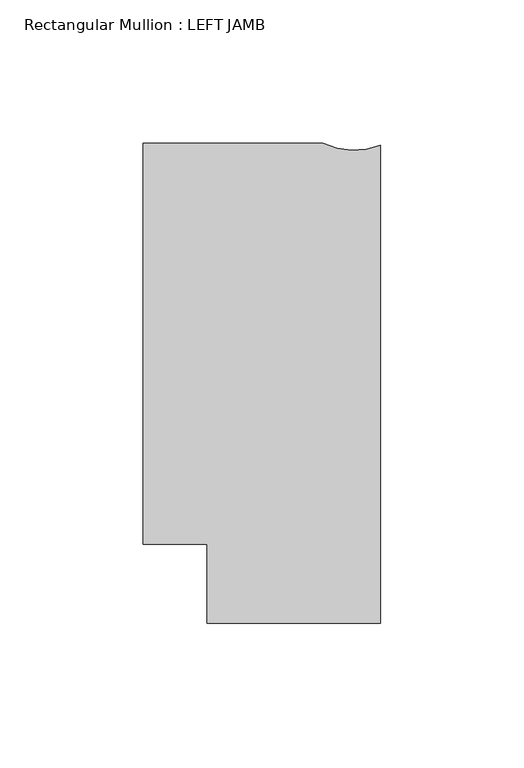
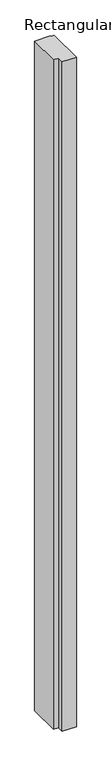
"""IFC4 building model written with IfcOpenShell, lengths in millimetres: member geometry, Rectangular Mullion : LEFT JAMB."""

import ifcopenshell
import ifcopenshell.guid

model = None  # the IFC model being written
_history = None  # IfcOwnerHistory: only IFC2X3 demands one
_inside = {}  # id of a spatial element -> (the spatial element, [elements in it])
_under = {}  # id of a project, library or spatial element -> (it, [spatial elements below it])
_declared = {}  # id of a project -> (the project, [libraries it declares])
_typed = {}  # id of a type object -> (the type object, [elements of that type])
_made_of = {}  # id of a material, layer set ... -> (it, [elements and type objects made of it])


def new_model(schema):
    """Start an empty IFC model of exactly this schema.

    Asked for "IFC4X3", IfcOpenShell would pick the latest addendum, in which some entities
    have other attributes; the version numbers below select the first issue.
    IFC2X3 requires an IfcOwnerHistory on every rooted entity: one is made here for all.
    """
    global model, _history
    if schema == "IFC4X3":
        model = ifcopenshell.file(schema_version=(4, 3, 0, 0))
    else:
        model = ifcopenshell.file(schema=schema)
    _inside.clear()
    _under.clear()
    _declared.clear()
    _typed.clear()
    _made_of.clear()
    _history = None
    if model.schema == "IFC2X3":
        org = make("IfcOrganization", Name="unknown")
        user = make(
            "IfcPersonAndOrganization",
            ThePerson=make("IfcPerson", FamilyName="unknown"),
            TheOrganization=org,
        )
        app = make(
            "IfcApplication",
            ApplicationDeveloper=org,
            Version="unknown",
            ApplicationFullName="unknown",
            ApplicationIdentifier="unknown",
        )
        _history = make(
            "IfcOwnerHistory",
            OwningUser=user,
            OwningApplication=app,
            ChangeAction="ADDED",
            CreationDate=0,
        )
    return model


def make(cls, **values):
    """One entity of the class cls with the attributes given. An attribute that is None is left unset."""
    return model.create_entity(
        cls, **{name: value for name, value in values.items() if value is not None}
    )


def rooted(cls, **values):
    """An entity with a GlobalId (a new one), such as an element, a storey or a relation."""
    return make(cls, GlobalId=ifcopenshell.guid.new(), OwnerHistory=_history, **values)


def si_unit(unit_type, name, prefix=None):
    """IfcSIUnit, for example si_unit("LENGTHUNIT", "METRE", prefix="MILLI")."""
    return make("IfcSIUnit", UnitType=unit_type, Prefix=prefix, Name=name)


def assignment(units):
    """IfcUnitAssignment: the units of a project."""
    return None if units is None else make("IfcUnitAssignment", Units=units)


def point(xyz):
    """IfcCartesianPoint."""
    return None if xyz is None else make("IfcCartesianPoint", Coordinates=xyz)


def direction(xyz):
    """IfcDirection."""
    return None if xyz is None else make("IfcDirection", DirectionRatios=xyz)


def frame(location, z_axis=None, x_axis=None):
    """IfcAxis2Placement3D, a coordinate frame: its origin and axes. An axis left out is left unset."""
    return make(
        "IfcAxis2Placement3D",
        Location=point(location),
        Axis=direction(z_axis),
        RefDirection=direction(x_axis),
    )


def frame_2d(location, x_axis=None):
    """IfcAxis2Placement2D, a coordinate frame in the plane: its origin and x axis."""
    return make(
        "IfcAxis2Placement2D", Location=point(location), RefDirection=direction(x_axis)
    )


def origin():
    """The frame at (0, 0, 0) with its axes left unset."""
    return frame((0.0, 0.0, 0.0))


def place(relative_to, where):
    """IfcLocalPlacement: puts the frame where relative to a parent placement (None: the world)."""
    return make(
        "IfcLocalPlacement", PlacementRelTo=relative_to, RelativePlacement=where
    )


def context(
    kind, dimensions, precision=None, world=None, true_north=None, identifier=None
):
    """IfcGeometricRepresentationContext, for example the 3D "Model" context."""
    return make(
        "IfcGeometricRepresentationContext",
        ContextIdentifier=identifier,
        ContextType=kind,
        CoordinateSpaceDimension=dimensions,
        Precision=precision,
        WorldCoordinateSystem=world,
        TrueNorth=true_north,
    )


def project(units=None, contexts=None):
    """IfcProject with its units and contexts."""
    return rooted(
        "IfcProject",
        Name="project",
        RepresentationContexts=contexts,
        UnitsInContext=assignment(units),
    )


def spatial(cls, under=None, at=None, **own):
    """A site, building, storey or space (cls), placed at a placement, below another one or the project."""
    s = rooted(cls, ObjectPlacement=at, **own)
    if under is not None:
        _under.setdefault(under.id(), (under, []))[1].append(s)
    return s


def polyline(points):
    """IfcPolyline through the points."""
    return make("IfcPolyline", Points=[point(p) for p in points])


def circle_curve(where, radius):
    """IfcCircle in the frame where."""
    return make("IfcCircle", Position=where, Radius=radius)


def trimmed(basis, trim1, trim2, sense, master):
    """IfcTrimmedCurve: the piece of a basis curve between two trims."""
    return make(
        "IfcTrimmedCurve",
        BasisCurve=basis,
        Trim1=trim1,
        Trim2=trim2,
        SenseAgreement=sense,
        MasterRepresentation=master,
    )


def segment(curve, same_sense, transition):
    """IfcCompositeCurveSegment."""
    return make(
        "IfcCompositeCurveSegment",
        Transition=transition,
        SameSense=same_sense,
        ParentCurve=curve,
    )


def composite_curve(segments, self_intersect=None):
    """IfcCompositeCurve: segments joined end to end."""
    return make("IfcCompositeCurve", Segments=segments, SelfIntersect=self_intersect)


def outline(outer, holes=None, kind="AREA"):
    """IfcArbitraryClosedProfileDef: a profile drawn as a closed curve; with holes, ...WithVoids."""
    if holes is None:
        return make("IfcArbitraryClosedProfileDef", ProfileType=kind, OuterCurve=outer)
    return make(
        "IfcArbitraryProfileDefWithVoids",
        ProfileType=kind,
        OuterCurve=outer,
        InnerCurves=holes,
    )


def extrude(swept, where, along, depth):
    """IfcExtrudedAreaSolid: the profile swept, set in the frame where, extruded along a direction by depth."""
    return make(
        "IfcExtrudedAreaSolid",
        SweptArea=swept,
        Position=where,
        ExtrudedDirection=direction(along),
        Depth=depth,
    )


def shape(context_of_items, identifier, shape_type, items):
    """IfcShapeRepresentation: the items that make up one representation, for example the "Body"."""
    return make(
        "IfcShapeRepresentation",
        ContextOfItems=context_of_items,
        RepresentationIdentifier=identifier,
        RepresentationType=shape_type,
        Items=items,
    )


def source(mapping_origin, context_of_items, identifier, shape_type, items):
    """IfcRepresentationMap: a shape defined once, which mapped items show again and again."""
    return make(
        "IfcRepresentationMap",
        MappingOrigin=mapping_origin,
        MappedRepresentation=shape(context_of_items, identifier, shape_type, items),
    )


def transform(
    local_origin,
    x_axis=None,
    y_axis=None,
    z_axis=None,
    scale=None,
    scale2=None,
    scale3=None,
    uniform=True,
):
    """IfcCartesianTransformationOperator3D, or its non-uniform kind. x_axis, y_axis, z_axis: its Axis1, 2, 3."""
    if uniform:
        return make(
            "IfcCartesianTransformationOperator3D",
            Axis1=direction(x_axis),
            Axis2=direction(y_axis),
            LocalOrigin=point(local_origin),
            Scale=scale,
            Axis3=direction(z_axis),
        )
    return make(
        "IfcCartesianTransformationOperator3DnonUniform",
        Axis1=direction(x_axis),
        Axis2=direction(y_axis),
        LocalOrigin=point(local_origin),
        Scale=scale,
        Axis3=direction(z_axis),
        Scale2=scale2,
        Scale3=scale3,
    )


def mapped(mapping_source, mapping_target):
    """IfcMappedItem: shows the shape of a source again, moved by a transform."""
    return make(
        "IfcMappedItem", MappingSource=mapping_source, MappingTarget=mapping_target
    )


def made_of(thing, what):
    """Note that an element or type object is made of a material, layer set ...; save() writes the relation."""
    if what is not None:
        _made_of.setdefault(what.id(), (what, []))[1].append(thing)
    return thing


def element(
    cls,
    number,
    at=None,
    inside=None,
    cuts=None,
    type_object=None,
    material=None,
    context=None,
    identifier="Body",
    shape_type=None,
    held_by="IfcProductDefinitionShape",
    body=None,
    shapes=None,
    **own,
):
    """One element of the class cls, such as IfcWall. Its Tag is "e" and its number.

    at: its placement. inside: the storey or other place that contains it. cuts: it is an
    opening in that element (IfcRelVoidsElement). A single representation is given by context,
    identifier, shape_type and body (its items); several are given by shapes. held_by: the class
    of the entity that holds the representations. save() writes the other relations.
    """
    e = rooted(cls, Tag="e%d" % number, ObjectPlacement=at, **own)
    if body is not None:
        shapes = [shape(context, identifier, shape_type, body)]
    if shapes is not None:
        e.Representation = make(held_by, Representations=shapes)
    if inside is not None:
        _inside.setdefault(inside.id(), (inside, []))[1].append(e)
    if cuts is not None:
        rooted(
            "IfcRelVoidsElement", RelatingBuildingElement=cuts, RelatedOpeningElement=e
        )
    if type_object is not None:
        _typed.setdefault(type_object.id(), (type_object, []))[1].append(e)
    return made_of(e, material)


def aggregate(whole, parts):
    """IfcRelAggregates: a whole, such as a stair, and the parts it consists of."""
    return rooted("IfcRelAggregates", RelatingObject=whole, RelatedObjects=parts)


def save(model, path):
    """Write the relations noted so far, then the file.

    IfcRelAggregates (storeys below a building ...), IfcRelContainedInSpatialStructure (elements
    in a storey), IfcRelDefinesByType, IfcRelAssociatesMaterial and IfcRelDeclares: one each for
    every whole, place, type object, material and project.
    """
    for whole, parts in _under.values():
        aggregate(whole, parts)
    for where, things in _inside.values():
        rooted(
            "IfcRelContainedInSpatialStructure",
            RelatedElements=things,
            RelatingStructure=where,
        )
    for kind, things in _typed.values():
        rooted("IfcRelDefinesByType", RelatedObjects=things, RelatingType=kind)
    for what, things in _made_of.values():
        rooted("IfcRelAssociatesMaterial", RelatedObjects=things, RelatingMaterial=what)
    for by, libraries in _declared.values():
        rooted("IfcRelDeclares", RelatingContext=by, RelatedDefinitions=libraries)
    model.write(path)


def rectangular_mullion_left_jamb_e5070e12(model_context):
    return source(origin(), model_context, "Body", "SweptSolid", [
        extrude(outline(composite_curve([segment(trimmed(circle_curve(frame_2d((-9.2332881, 162.2237154)), 25.0354275), [point((-20.0963261, 139.6678506))], [point((0.0, 138.9531541))], True, "CARTESIAN"), True, "CONTINUOUS"), segment(polyline([(0.0, 138.9531541), (0.0, -27.5916111), (-60.5419882, -27.5916111), (-60.5419882, -0.0321444), (-82.7668749, -0.0321444), (-82.7668749, 139.6678506), (-20.0963261, 139.6678506)]), True, "CONTINUOUS")], self_intersect=False)), frame((0.0, 0.0, -3048.0), z_axis=(0.0, 0.0, 1.0), x_axis=(1.0, 0.0, 0.0)), (0.0, 0.0, 1.0), 3048.0),
    ])


if __name__ == "__main__":
    model = new_model("IFC4")
    model_context = context("Model", 3, world=origin())
    ifc_project = project(units=[si_unit("LENGTHUNIT", "METRE", prefix="MILLI")], contexts=[model_context])
    site = spatial("IfcSite", under=ifc_project)
    building = spatial("IfcBuilding", under=site)
    placement = place(None, origin())
    rectangular_mullion_left_jamb_shape = rectangular_mullion_left_jamb_e5070e12(model_context)
    element("IfcMember", 1, ObjectType="Rectangular Mullion : LEFT JAMB", at=placement, inside=building, context=model_context, shape_type="MappedRepresentation", body=[
        mapped(rectangular_mullion_left_jamb_shape, transform((0.0, 0.0, 0.0), x_axis=(1.0, 0.0, 0.0), y_axis=(0.0, 1.0, 0.0), z_axis=(0.0, 0.0, 1.0))),
    ])
    save(model, "model.ifc")
